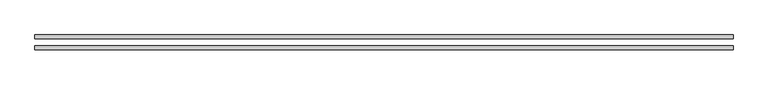
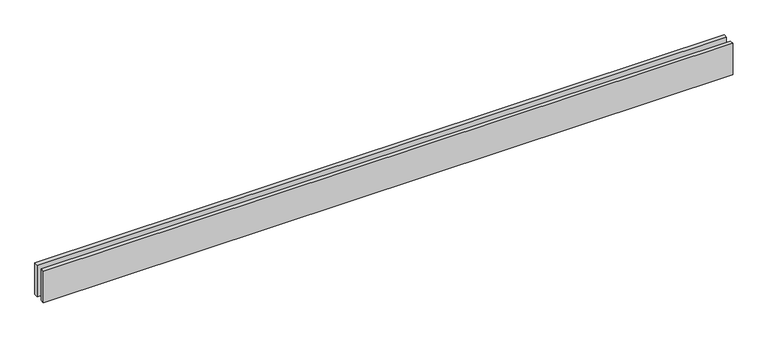
"""IFC4 building model written with IfcOpenShell, lengths in millimetres: proxy geometry."""

from ifc_helpers import new_model, si_unit, origin, origin_with_axes, place, context, project, spatial, polyline, outline, extrude, source, transform, mapped, element, save


def generic_models_27cc445d(model_context):
    return source(origin(), model_context, "Body", "SweptSolid", [
        extrude(outline(polyline([(5181.6233811, -25.0), (5181.6233811, -55.0), (0.0, -55.0), (0.0, -25.0), (5181.6233811, -25.0)])), origin_with_axes(), (0.0, 0.0, 1.0), 250.0),
        extrude(outline(polyline([(5181.6233811, 55.0), (5181.6233811, 25.0), (0.0, 25.0), (0.0, 55.0), (5181.6233811, 55.0)])), origin_with_axes(), (0.0, 0.0, 1.0), 250.0),
    ])


if __name__ == "__main__":
    model = new_model("IFC4")
    model_context = context("Model", 3, world=origin())
    ifc_project = project(units=[si_unit("LENGTHUNIT", "METRE", prefix="MILLI")], contexts=[model_context])
    site = spatial("IfcSite", under=ifc_project)
    building = spatial("IfcBuilding", under=site)
    placement = place(None, origin())
    generic_models_shape = generic_models_27cc445d(model_context)
    element("IfcBuildingElementProxy", 1, Name="Generic Models", at=placement, inside=building, context=model_context, shape_type="MappedRepresentation", body=[
        mapped(generic_models_shape, transform((0.0, 0.0, 0.0), x_axis=(1.0, 0.0, 0.0), y_axis=(0.0, 1.0, 0.0), z_axis=(0.0, 0.0, 1.0))),
    ])
    save(model, "model.ifc")
